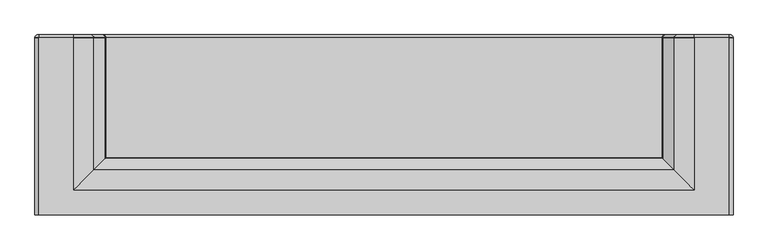
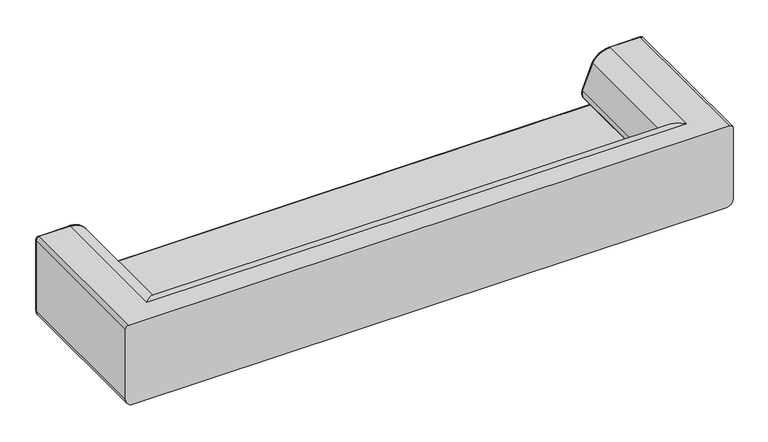
"""IFC4 building model written with IfcOpenShell, lengths in millimetres: furniture geometry."""

from ifc_helpers import new_model, si_unit, point, frame, origin, place, context, project, spatial, polyline, circle_curve, ellipse_curve, trimmed, source, transform, mapped, element, save
from ifc_brep_helpers import plane_surface, cylinder_surface, revolved_surface, advanced_brep


def furniture_cc4bc4c6(model_context):
    return source(origin(), model_context, "Body", "AdvancedBrep", [
        advanced_brep(
        [(1623.4930122, -424.7694481, 623.0000241), (1623.4930122, -424.7694481, 222.8204468), (1623.4930122, 398.4454435, 222.8204468), (1623.4930122, 401.1, 222.8204468), (1623.4930122, 401.1, 623.0000241), (1623.4930122, 398.4454435, 623.0000241), (1441.7928262, -308.0692618, 640.0000241), (1441.7928262, 398.4454435, 640.0000241), (1350.1347059, 398.4454435, 584.0963643), (1350.1347059, -216.4111416, 584.0963643), (1296.0931425, 398.4454435, 446.868702), (1296.0931425, -162.3695782, 446.868702), (1296.0931425, 398.4454435, 413.9178058), (1296.0931425, -162.3695782, 413.9178058), (1313.2221554, 398.4454435, 394.2161731), (1313.2221554, -179.4985911, 394.2161731), (-1350.3416938, -216.4111416, 584.0963643), (-1441.999814, -308.0692618, 640.0000241), (-1296.3001304, -162.3695782, 446.868702), (-1296.3001304, -162.3695782, 413.9178058), (-1313.4291432, -179.4985911, 394.2161731), (1372.8945171, -239.1709528, 381.6735871), (1372.8945171, 398.4454435, 381.6735871), (1372.8945171, 398.4454435, 351.6735871), (1372.8945171, -239.1709528, 351.6735871), (-1373.101505, -239.1709528, 351.6735871), (-1373.101505, -239.1709528, 381.6735871), (1585.6725653, -424.7694481, 185.0), (1585.6725653, 398.4454435, 185.0), (1606.4930122, 398.4454435, 640.0000241), (1606.4930122, -424.7694481, 640.0000241), (-1623.7, 398.4454435, 222.8204468), (-1585.8795532, 398.4454435, 185.0), (-1585.8795532, -424.7694481, 185.0), (-1623.7, -424.7694481, 222.8204468), (-1585.8795532, 401.1, 185.0), (1585.6725653, 401.1, 185.0), (1372.8945171, 401.1, 351.6735871), (-1373.101505, 401.1, 351.6735871), (-1373.101505, 398.4454435, 351.6735871), (-1373.101505, 398.4454435, 381.6735871), (-1313.4334259, 398.4454435, 394.2142899), (-1296.3001304, 398.4454435, 413.9178058), (-1296.3001304, 398.4454435, 446.868702), (-1350.3416938, 398.4454435, 584.0963643), (-1441.999814, 398.4454435, 640.0000241), (-1441.999814, 401.1, 640.0000241), (-1606.7, 401.1, 640.0000241), (-1606.7, 398.4454435, 640.0000241), (-1606.7, -424.7694481, 640.0000241), (1606.4930122, 401.1, 640.0000241), (1441.7928262, 401.1, 640.0000241), (-1623.7, 398.4454435, 623.0000241), (-1623.7, -424.7694481, 623.0000241), (-1623.7, 401.1, 623.0000241), (-1623.7, 401.1, 270.0000241), (-1623.7, 401.1, 222.8204468), (-1308.1383724, 413.4, 443.5301356), (-1308.1383724, 413.4, 417.2563721), (-1318.383623, 413.4, 405.4741988), (-1373.101505, 413.4, 393.9735871), (-1373.101505, 413.4, 339.3735871), (1372.8945171, 413.4, 339.3735871), (1372.8945171, 413.4, 393.9735871), (1318.1740744, 413.4, 405.4753251), (1307.9313846, 413.4, 417.2563721), (1307.9313846, 413.4, 443.5301356), (1361.0705289, 413.4, 578.4662864), (1441.7928262, 413.4, 627.7000241), (1606.4930122, 413.4, 627.7000241), (1611.1930122, 413.4, 623.0000241), (1611.1930122, 413.4, 222.8204468), (1585.6725653, 413.4, 197.3), (-1585.8795532, 413.4, 197.3), (-1611.4, 413.4, 222.8204468), (-1611.4, 413.4, 270.0000241), (-1611.4, 413.4, 623.0000241), (-1606.7, 413.4, 627.7000241), (-1441.999814, 413.4, 627.7000241), (-1361.2775167, 413.4, 578.4662864), (1350.1347059, 401.1, 584.0963643), (1296.0931425, 401.1, 446.868702), (1296.0931425, 401.1, 413.9178058), (1313.2221554, 401.1, 394.2161731), (1372.8945171, 401.1, 381.6735871), (-1373.101505, 401.1, 381.6735871), (-1313.4334258, 401.1, 394.2142899), (-1296.3001304, 401.1, 413.9178058), (-1296.3001304, 401.1, 446.868702), (-1350.3416938, 401.1, 584.0963643)],
        [
            (0, 1),
            (1, 2),
            (2, 3),
            (3, 4),
            (4, 5),
            (5, 0),
            (6, 7),
            (7, 8, circle_curve(frame((1441.7928262, 398.4454435, 536.9081136), z_axis=(0.0, -1.0, 0.0), x_axis=(-1.0, 0.0, 0.0)), 103.0919105)),
            (8, 9),
            (9, 6, ellipse_curve(frame((1441.7928262, -308.0692618, 536.9081136), z_axis=(0.7071067811865475, 0.7071067811865475, 0.0), x_axis=(0.7071067811865474, -0.7071067811865476, 0.0)), 145.793978, 103.0919105)),
            (8, 10, circle_curve(frame((2005.0288175, 398.4454435, 246.9379386), z_axis=(0.0, -1.0, 0.0), x_axis=(-1.0, 0.0, 0.0)), 736.5881491)),
            (10, 11),
            (11, 9, ellipse_curve(frame((2005.0288175, -871.3052531, 246.9379386), z_axis=(0.7071067811865475, 0.7071067811865475, 0.0), x_axis=(0.7071067811865474, -0.7071067811865476, 0.0)), 1041.6929503, 736.5881491)),
            (10, 12, circle_curve(frame((1354.5135312, 398.4454435, 430.3932539), z_axis=(0.0, -1.0, 0.0), x_axis=(-1.0, 0.0, 0.0)), 60.699112)),
            (12, 13),
            (13, 11, ellipse_curve(frame((1354.5135312, -220.7899669, 430.3932539), z_axis=(0.7071067811865475, 0.7071067811865475, 0.0), x_axis=(0.7071067811865474, -0.7071067811865476, 0.0)), 85.8415074, 60.699112)),
            (12, 14, circle_curve(frame((1325.5395386, 398.4454435, 422.2221424), z_axis=(0.0, -1.0, 0.0), x_axis=(-1.0, 0.0, 0.0)), 30.594971)),
            (14, 15),
            (15, 13, ellipse_curve(frame((1325.5395386, -191.8159743, 422.2221424), z_axis=(0.7071067811865475, 0.7071067811865475, 0.0), x_axis=(0.7071067811865474, -0.7071067811865476, 0.0)), 43.2678229, 30.594971)),
            (9, 16),
            (16, 17, ellipse_curve(frame((-1441.999814, -308.0692618, 536.9081136), z_axis=(0.7071067811865475, -0.7071067811865475, 0.0), x_axis=(-0.7071067811865476, -0.7071067811865474, 0.0)), 145.793978, 103.0919105)),
            (17, 6),
            (11, 18),
            (18, 16, ellipse_curve(frame((-2005.2358053, -871.3052531, 246.9379386), z_axis=(0.7071067811865475, -0.7071067811865475, 0.0), x_axis=(-0.7071067811865476, -0.7071067811865474, 0.0)), 1041.6929503, 736.5881491)),
            (13, 19),
            (19, 18, ellipse_curve(frame((-1354.720519, -220.7899669, 430.3932539), z_axis=(0.7071067811865475, -0.7071067811865475, 0.0), x_axis=(-0.7071067811865476, -0.7071067811865474, 0.0)), 85.8415074, 60.699112)),
            (15, 20),
            (20, 19, ellipse_curve(frame((-1325.7465264, -191.8159743, 422.2221424), z_axis=(0.7071067811865475, -0.7071067811865475, 0.0), x_axis=(-0.7071067811865476, -0.7071067811865474, 0.0)), 43.2678229, 30.594971)),
            (21, 22),
            (22, 23, circle_curve(frame((1372.8945171, 398.4454435, 366.6735871), z_axis=(0.0, 1.0, 0.0), x_axis=(-1.0, 0.0, 0.0)), 15.0)),
            (23, 24),
            (24, 21, ellipse_curve(frame((1372.8945171, -239.1709528, 366.6735871), z_axis=(-0.7071067811865475, -0.7071067811865475, 0.0), x_axis=(-0.7071067811865474, 0.7071067811865476, 0.0)), 21.2132034, 15.0)),
            (24, 25),
            (25, 26, ellipse_curve(frame((-1373.101505, -239.1709528, 366.6735871), z_axis=(-0.7071067811865475, 0.7071067811865475, 0.0), x_axis=(0.7071067811865476, 0.7071067811865474, 0.0)), 21.2132034, 15.0)),
            (26, 21),
            (14, 22, circle_curve(frame((1372.8945171, 398.4454435, 529.8929075), z_axis=(0.0, -1.0, 0.0), x_axis=(-1.0, 0.0, 0.0)), 148.2193204)),
            (21, 15, ellipse_curve(frame((1372.8945171, -239.1709528, 529.8929075), z_axis=(0.7071067811865475, 0.7071067811865475, 0.0), x_axis=(0.7071067811865474, -0.7071067811865476, 0.0)), 209.6137731, 148.2193204)),
            (26, 20, ellipse_curve(frame((-1373.101505, -239.1709528, 529.8929075), z_axis=(0.7071067811865475, -0.7071067811865475, 0.0), x_axis=(-0.7071067811865476, -0.7071067811865474, 0.0)), 209.6137731, 148.2193204)),
            (1, 27, circle_curve(frame((1585.6725653, -424.7694481, 222.8204468), z_axis=(0.0, 1.0, 0.0), x_axis=(-1.0, 0.0, 0.0)), 37.8204468)),
            (27, 28),
            (28, 2, circle_curve(frame((1585.6725653, 398.4454435, 222.8204468), z_axis=(0.0, -1.0, 0.0), x_axis=(-1.0, 0.0, 0.0)), 37.8204468)),
            (5, 29, circle_curve(frame((1606.4930122, 398.4454435, 623.0000241), z_axis=(0.0, -1.0, 0.0), x_axis=(-1.0, 0.0, 0.0)), 17.0)),
            (29, 30),
            (30, 0, circle_curve(frame((1606.4930122, -424.7694481, 623.0000241), z_axis=(0.0, 1.0, 0.0), x_axis=(-1.0, 0.0, 0.0)), 17.0)),
            (31, 32, circle_curve(frame((-1585.8795532, 398.4454435, 222.8204468), z_axis=(0.0, -1.0, 0.0), x_axis=(1.0, 0.0, 0.0)), 37.8204468)),
            (32, 33),
            (33, 34, circle_curve(frame((-1585.8795532, -424.7694481, 222.8204468), z_axis=(0.0, 1.0, 0.0), x_axis=(1.0, 0.0, 0.0)), 37.8204468)),
            (34, 31),
            (32, 35),
            (35, 36),
            (36, 28),
            (27, 33),
            (23, 37),
            (37, 38),
            (38, 39),
            (39, 25),
            (39, 40, circle_curve(frame((-1373.101505, 398.4454435, 366.6735871), z_axis=(0.0, 1.0, 0.0), x_axis=(1.0, 0.0, 0.0)), 15.0)),
            (40, 26),
            (40, 41, circle_curve(frame((-1373.101505, 398.4454435, 529.8929075), z_axis=(0.0, -1.0, 0.0), x_axis=(1.0, 0.0, 0.0)), 148.2193204)),
            (41, 20),
            (41, 42, circle_curve(frame((-1325.7465264, 398.4454435, 422.2221424), z_axis=(0.0, -1.0, 0.0), x_axis=(1.0, 0.0, 0.0)), 30.594971)),
            (42, 19),
            (42, 43, circle_curve(frame((-1354.720519, 398.4454435, 430.3932539), z_axis=(0.0, -1.0, 0.0), x_axis=(1.0, 0.0, 0.0)), 60.699112)),
            (43, 18),
            (43, 44, circle_curve(frame((-2005.2358053, 398.4454435, 246.9379386), z_axis=(0.0, -1.0, 0.0), x_axis=(1.0, 0.0, 0.0)), 736.5881491)),
            (44, 16),
            (44, 45, circle_curve(frame((-1441.999814, 398.4454435, 536.9081136), z_axis=(0.0, -1.0, 0.0), x_axis=(1.0, 0.0, 0.0)), 103.0919105)),
            (45, 17),
            (45, 46),
            (46, 47),
            (47, 48),
            (48, 49),
            (49, 30),
            (29, 50),
            (50, 51),
            (51, 7),
            (48, 52, circle_curve(frame((-1606.7, 398.4454435, 623.0000241), z_axis=(0.0, -1.0, 0.0), x_axis=(1.0, 0.0, 0.0)), 17.0)),
            (52, 53),
            (53, 49, circle_curve(frame((-1606.7, -424.7694481, 623.0000241), z_axis=(0.0, 1.0, 0.0), x_axis=(1.0, 0.0, 0.0)), 17.0)),
            (34, 53),
            (52, 54),
            (54, 55),
            (55, 56),
            (56, 31),
            (57, 58, circle_curve(frame((-1354.720519, 413.4, 430.3932539), z_axis=(0.0, 1.0, 0.0), x_axis=(0.9624587034664215, 0.0, -0.27142815646453283)), 48.399112)),
            (58, 59, circle_curve(frame((-1325.7465264, 413.4, 422.2221424), z_axis=(0.0, 1.0, 0.0), x_axis=(0.40245505114421876, 0.0, -0.9154397477761735)), 18.294971)),
            (59, 60, circle_curve(frame((-1373.101505, 413.4, 529.8929075), z_axis=(0.0, 1.0, 0.0), x_axis=(2.307809158910861e-12, 0.0, -1.0)), 135.9193204)),
            (60, 61, circle_curve(frame((-1373.101505, 413.4, 366.6735871), z_axis=(0.0, -1.0, 0.0), x_axis=(0.0, 0.0, -1.0)), 27.3)),
            (61, 62),
            (62, 63, circle_curve(frame((1372.8945171, 413.4, 366.6735871), z_axis=(0.0, -1.0, 0.0), x_axis=(0.0, 0.0, 1.0)), 27.3)),
            (63, 64, circle_curve(frame((1372.8945171, 413.4, 529.8929075), z_axis=(0.0, 1.0, 0.0), x_axis=(-0.4025950294069445, 0.0, -0.9153781963193254)), 135.9193204)),
            (64, 65, circle_curve(frame((1325.5395386, 413.4, 422.2221424), z_axis=(0.0, 1.0, 0.0), x_axis=(-0.962458703466426, 0.0, -0.2714281564645167)), 18.294971)),
            (65, 66, circle_curve(frame((1354.5135312, 413.4, 430.3932539), z_axis=(0.0, 1.0, 0.0), x_axis=(-0.9624587034663409, 0.0, 0.27142815646481855)), 48.399112)),
            (66, 67, circle_curve(frame((2005.0288175, 413.4, 246.9379386), z_axis=(0.0, 1.0, 0.0), x_axis=(-0.8890912952620775, 0.0, 0.457729908012576)), 724.2881491)),
            (67, 68, circle_curve(frame((1441.7928262, 413.4, 536.9081136), z_axis=(0.0, 1.0, 0.0), x_axis=(0.0, 0.0, 1.0)), 90.7919105)),
            (68, 69),
            (69, 70, circle_curve(frame((1606.4930122, 413.4, 623.0000241), z_axis=(0.0, 1.0, 0.0), x_axis=(1.0, 0.0, 0.0)), 4.7)),
            (70, 71),
            (71, 72, circle_curve(frame((1585.6725653, 413.4, 222.8204468), z_axis=(0.0, 1.0, 0.0), x_axis=(0.0, 0.0, -1.0)), 25.5204468)),
            (72, 73),
            (73, 74, circle_curve(frame((-1585.8795532, 413.4, 222.8204468), z_axis=(0.0, 1.0, 0.0), x_axis=(-1.0, 0.0, 0.0)), 25.5204468)),
            (74, 75),
            (75, 76),
            (76, 77, circle_curve(frame((-1606.7, 413.4, 623.0000241), z_axis=(0.0, 1.0, 0.0), x_axis=(0.0, 0.0, 1.0)), 4.7)),
            (77, 78),
            (78, 79, circle_curve(frame((-1441.999814, 413.4, 536.9081136), z_axis=(0.0, 1.0, 0.0), x_axis=(0.8890912952620598, 0.0, 0.45772990801261054)), 90.7919105)),
            (79, 57, circle_curve(frame((-2005.2358053, 413.4, 246.9379386), z_axis=(0.0, 1.0, 0.0), x_axis=(0.9624587034663644, 0.0, 0.2714281564647354)), 724.2881491)),
            (47, 54, circle_curve(frame((-1606.7, 401.1, 623.0000241), z_axis=(0.0, -1.0, 0.0), x_axis=(0.0, 0.0, 1.0)), 17.0)),
            (76, 54, circle_curve(frame((-1611.4, 401.1, 623.0000241), z_axis=(0.0, 0.0, 1.0), x_axis=(1.0, 0.0, 0.0)), 12.3)),
            (47, 77, circle_curve(frame((-1606.7, 401.1, 627.7000241), z_axis=(-1.0, 0.0, 0.0), x_axis=(0.0, 0.0, -1.0)), 12.3)),
            (75, 55, circle_curve(frame((-1611.4, 401.1, 270.0000241), z_axis=(0.0, 0.0, 1.0), x_axis=(1.0, 0.0, 0.0)), 12.3)),
            (74, 56, circle_curve(frame((-1611.4, 401.1, 222.8204468), z_axis=(0.0, 0.0, 1.0), x_axis=(1.0, 0.0, 0.0)), 12.3)),
            (56, 35, circle_curve(frame((-1585.8795532, 401.1, 222.8204468), z_axis=(0.0, -1.0, 0.0), x_axis=(-1.0, 0.0, 0.0)), 37.8204468)),
            (73, 35, circle_curve(frame((-1585.8795532, 401.1, 197.3), z_axis=(-1.0, 0.0, 0.0), x_axis=(0.0, 0.0, 1.0)), 12.3)),
            (72, 36, circle_curve(frame((1585.6725653, 401.1, 197.3), z_axis=(-1.0, 0.0, 0.0), x_axis=(0.0, 0.0, 1.0)), 12.3)),
            (36, 3, circle_curve(frame((1585.6725653, 401.1, 222.8204468), z_axis=(0.0, -1.0, 0.0), x_axis=(0.0, 0.0, -1.0)), 37.8204468)),
            (71, 3, circle_curve(frame((1611.1930122, 401.1, 222.8204468), z_axis=(0.0, 0.0, -1.0), x_axis=(-1.0, 0.0, 0.0)), 12.3)),
            (70, 4, circle_curve(frame((1611.1930122, 401.1, 623.0000241), z_axis=(0.0, 0.0, -1.0), x_axis=(-1.0, 0.0, 0.0)), 12.3)),
            (4, 50, circle_curve(frame((1606.4930122, 401.1, 623.0000241), z_axis=(0.0, -1.0, 0.0), x_axis=(1.0, 0.0, 0.0)), 17.0)),
            (69, 50, circle_curve(frame((1606.4930122, 401.1, 627.7000241), z_axis=(1.0, 0.0, 0.0), x_axis=(0.0, 0.0, -1.0)), 12.3)),
            (68, 51, circle_curve(frame((1441.7928262, 401.1, 627.7000241), z_axis=(1.0, 0.0, 0.0), x_axis=(0.0, 0.0, -1.0)), 12.3)),
            (51, 80, circle_curve(frame((1441.7928262, 401.1, 536.9081136), z_axis=(0.0, -1.0, 0.0), x_axis=(0.0, 0.0, 1.0)), 103.0919105)),
            (80, 8),
            (67, 80, circle_curve(frame((1361.0705289, 401.1, 578.4662864), z_axis=(0.45772990801261976, 0.0, 0.8890912952620551), x_axis=(0.8890912952620551, 0.0, -0.45772990801261976)), 12.3)),
            (80, 81, circle_curve(frame((2005.0288175, 401.1, 246.9379386), z_axis=(0.0, -1.0, 0.0), x_axis=(-0.8890912952620775, 0.0, 0.457729908012576)), 736.5881491)),
            (81, 10),
            (66, 81, circle_curve(frame((1307.9313846, 401.1, 443.5301356), z_axis=(0.2714281564647413, 0.0, 0.9624587034663626), x_axis=(0.9624587034663626, 0.0, -0.2714281564647413)), 12.3)),
            (81, 82, circle_curve(frame((1354.5135312, 401.1, 430.3932539), z_axis=(0.0, -1.0, 0.0), x_axis=(-0.9624587034663409, 0.0, 0.27142815646481855)), 60.699112)),
            (82, 12),
            (65, 82, circle_curve(frame((1307.9313846, 401.1, 417.2563721), z_axis=(-0.2714281564645227, 0.0, 0.9624587034664244), x_axis=(0.9624587034664244, 0.0, 0.2714281564645227)), 12.3)),
            (82, 83, circle_curve(frame((1325.5395386, 401.1, 422.2221424), z_axis=(0.0, -1.0, 0.0), x_axis=(-0.962458703466426, 0.0, -0.2714281564645167)), 30.594971)),
            (83, 14),
            (64, 83, circle_curve(frame((1318.1740742, 401.1, 405.4753249), z_axis=(-0.9153781963193278, 0.0, 0.402595029406939), x_axis=(0.402595029406939, 0.0, 0.9153781963193278)), 12.3)),
            (83, 84, circle_curve(frame((1372.8945171, 401.1, 529.8929075), z_axis=(0.0, -1.0, 0.0), x_axis=(-0.4025950294069445, 0.0, -0.9153781963193254)), 148.2193204)),
            (84, 22),
            (63, 84, circle_curve(frame((1372.8945171, 401.1, 393.9735871), z_axis=(-1.0, 0.0, 0.0), x_axis=(0.0, 0.0, 1.0)), 12.3)),
            (84, 37, circle_curve(frame((1372.8945171, 401.1, 366.6735871), z_axis=(0.0, 1.0, 0.0), x_axis=(0.0, 0.0, 1.0)), 15.0)),
            (62, 37, circle_curve(frame((1372.8945171, 401.1, 339.3735871), z_axis=(1.0, 0.0, 0.0), x_axis=(0.0, 0.0, -1.0)), 12.3)),
            (61, 38, circle_curve(frame((-1373.101505, 401.1, 339.3735871), z_axis=(1.0, 0.0, 0.0), x_axis=(0.0, 0.0, -1.0)), 12.3)),
            (38, 85, circle_curve(frame((-1373.101505, 401.1, 366.6735871), z_axis=(0.0, 1.0, 0.0), x_axis=(0.0, 0.0, -1.0)), 15.0)),
            (85, 40),
            (60, 85, circle_curve(frame((-1373.101505, 401.1, 393.9735871), z_axis=(-1.0, 0.0, -2.3413607790094447e-12), x_axis=(-2.3413607790094447e-12, 0.0, 1.0)), 12.3)),
            (85, 86, circle_curve(frame((-1373.101505, 401.1, 529.8929075), z_axis=(0.0, -1.0, 0.0), x_axis=(2.307809158910861e-12, 0.0, -1.0)), 148.2193204)),
            (86, 41),
            (59, 86, circle_curve(frame((-1318.383623, 401.1, 405.4741988), z_axis=(-0.9154397477761738, 0.0, -0.40245505114421837), x_axis=(-0.40245505114421837, 0.0, 0.9154397477761738)), 12.3)),
            (86, 87, circle_curve(frame((-1325.7465264, 401.1, 422.2221424), z_axis=(0.0, -1.0, 0.0), x_axis=(0.40245505114421876, 0.0, -0.9154397477761735)), 30.594971)),
            (87, 42),
            (58, 87, circle_curve(frame((-1308.1383724, 401.1, 417.2563721), z_axis=(-0.271428156464534, 0.0, -0.962458703466421), x_axis=(-0.962458703466421, 0.0, 0.271428156464534)), 12.3)),
            (87, 88, circle_curve(frame((-1354.720519, 401.1, 430.3932539), z_axis=(0.0, -1.0, 0.0), x_axis=(0.9624587034664215, 0.0, -0.27142815646453283)), 60.699112)),
            (88, 43),
            (57, 88, circle_curve(frame((-1308.1383724, 401.1, 443.5301356), z_axis=(0.2714281564647334, 0.0, -0.9624587034663649), x_axis=(-0.9624587034663649, 0.0, -0.2714281564647334)), 12.3)),
            (88, 89, circle_curve(frame((-2005.2358053, 401.1, 246.9379386), z_axis=(0.0, -1.0, 0.0), x_axis=(0.9624587034663644, 0.0, 0.2714281564647354)), 736.5881491)),
            (89, 44),
            (79, 89, circle_curve(frame((-1361.2775167, 401.1, 578.4662864), z_axis=(0.4577299080125743, 0.0, -0.8890912952620784), x_axis=(-0.8890912952620784, 0.0, -0.4577299080125743)), 12.3)),
            (89, 46, circle_curve(frame((-1441.999814, 401.1, 536.9081136), z_axis=(0.0, -1.0, 0.0), x_axis=(0.8890912952620598, 0.0, 0.45772990801261054)), 103.0919105)),
            (78, 46, circle_curve(frame((-1441.999814, 401.1, 627.7000241), z_axis=(1.0, 0.0, 0.0), x_axis=(0.0, 0.0, -1.0)), 12.3)),
        ],
        [
            plane_surface(frame((1623.4930122, -489.7694478, 623.0000241), z_axis=(1.0, 0.0, 0.0), x_axis=(0.0, 1.0, 0.0))),
            cylinder_surface(frame((1441.7928262, -159.7694478, 536.9081136), z_axis=(0.0, -1.0, 0.0), x_axis=(-1.0, 0.0, 0.0)), 103.0919105),
            cylinder_surface(frame((2005.0288175, -159.7694478, 246.9379386), z_axis=(0.0, -1.0, 0.0), x_axis=(-1.0, 0.0, 0.0)), 736.5881491),
            cylinder_surface(frame((1354.5135312, -159.7694478, 430.3932539), z_axis=(0.0, -1.0, 0.0), x_axis=(-1.0, 0.0, 0.0)), 60.699112),
            cylinder_surface(frame((1325.5395386, -159.7694478, 422.2221424), z_axis=(0.0, -1.0, 0.0), x_axis=(-1.0, 0.0, 0.0)), 30.594971),
            cylinder_surface(frame((-1293.7, -308.0692618, 536.9081136), z_axis=(-1.0, 0.0, 0.0), x_axis=(0.0, 1.0, 0.0)), 103.0919105),
            cylinder_surface(frame((-1293.7, -871.3052531, 246.9379386), z_axis=(-1.0, 0.0, 0.0), x_axis=(0.0, 1.0, 0.0)), 736.5881491),
            cylinder_surface(frame((-1293.7, -220.7899669, 430.3932539), z_axis=(-1.0, 0.0, 0.0), x_axis=(0.0, 1.0, 0.0)), 60.699112),
            cylinder_surface(frame((-1293.7, -191.8159743, 422.2221424), z_axis=(-1.0, 0.0, 0.0), x_axis=(0.0, 1.0, 0.0)), 30.594971),
            revolved_surface(polyline([(1357.8945171, 398.4454435, 366.6735871), (1357.8945171, -254.17095277482954, 366.6735871)]), (1372.8945171, -159.7694478, 366.6735871), (0.0, 1.0, 0.0)),
            revolved_surface(polyline([(1387.89451707483, -224.1709528, 366.6735871), (-1388.1015049748296, -224.1709528, 366.6735871)]), (-1293.7, -239.1709528, 366.6735871), (1.0, 0.0, 0.0)),
            cylinder_surface(frame((1372.8945171, -159.7694478, 529.8929075), z_axis=(0.0, -1.0, 0.0), x_axis=(-1.0, 0.0, 0.0)), 148.2193204),
            cylinder_surface(frame((-1293.7, -239.1709528, 529.8929075), z_axis=(-1.0, 0.0, 0.0), x_axis=(0.0, 1.0, 0.0)), 148.2193204),
            cylinder_surface(frame((1585.6725653, -159.7694478, 222.8204468), z_axis=(0.0, -1.0, 0.0), x_axis=(-1.0, 0.0, 0.0)), 37.8204468),
            cylinder_surface(frame((1606.4930122, -159.7694478, 623.0000241), z_axis=(0.0, -1.0, 0.0), x_axis=(-1.0, 0.0, 0.0)), 17.0),
            cylinder_surface(frame((-1585.8795532, 398.4454435, 222.8204468), z_axis=(0.0, 1.0, 0.0), x_axis=(1.0, 0.0, 0.0)), 37.8204468),
            plane_surface(frame((-1585.8795532, 398.4454435, 185.0), z_axis=(0.0, 0.0, -1.0), x_axis=(0.0, -1.0, 0.0))),
            plane_surface(frame((-1354.877561, 398.4454435, 351.6735871), z_axis=(0.0, 0.0, 1.0), x_axis=(0.0, -1.0, 0.0))),
            revolved_surface(polyline([(-1358.101505, -254.17095277482952, 366.6735871), (-1358.101505, 398.4454435, 366.6735871)]), (-1373.101505, 398.4454435, 366.6735871), (0.0, -1.0, 0.0)),
            cylinder_surface(frame((-1373.101505, 398.4454435, 529.8929075), z_axis=(0.0, 1.0, 0.0), x_axis=(1.0, 0.0, 0.0)), 148.2193204),
            cylinder_surface(frame((-1325.7465264, 398.4454435, 422.2221424), z_axis=(0.0, 1.0, 0.0), x_axis=(1.0, 0.0, 0.0)), 30.594971),
            cylinder_surface(frame((-1354.720519, 398.4454435, 430.3932539), z_axis=(0.0, 1.0, 0.0), x_axis=(1.0, 0.0, 0.0)), 60.699112),
            cylinder_surface(frame((-2005.2358053, 398.4454435, 246.9379386), z_axis=(0.0, 1.0, 0.0), x_axis=(1.0, 0.0, 0.0)), 736.5881491),
            cylinder_surface(frame((-1441.999814, 398.4454435, 536.9081136), z_axis=(0.0, 1.0, 0.0), x_axis=(1.0, 0.0, 0.0)), 103.0919105),
            plane_surface(frame((-1441.999814, 398.4454435, 640.0000241), z_axis=(0.0, 0.0, 1.0), x_axis=(0.0, -1.0, 0.0))),
            cylinder_surface(frame((-1606.7, 398.4454435, 623.0000241), z_axis=(0.0, 1.0, 0.0), x_axis=(1.0, 0.0, 0.0)), 17.0),
            plane_surface(frame((-1623.7, 398.4454435, 623.0000241), z_axis=(-1.0, 0.0, 0.0), x_axis=(0.0, -1.0, 0.0))),
            plane_surface(frame((-1623.7, -424.7694481, 640.0000241), z_axis=(0.0, -1.0, 0.0), x_axis=(0.0, 0.0, -1.0))),
            plane_surface(frame((-1441.999814, 413.4, 627.7000241), z_axis=(0.0, 1.0, 0.0), x_axis=(-1.0, 0.0, 0.0))),
            cylinder_surface(frame((-1606.7, 398.4454435, 623.0000241), z_axis=(0.0, 1.0, 0.0), x_axis=(0.0, 0.0, 1.0)), 17.0),
            revolved_surface(trimmed(ellipse_curve(frame((-1606.7, 401.1, 627.7000241), z_axis=(-1.0, 0.0, 0.0), x_axis=(0.0, 0.0, -1.0)), 12.3, 12.3), [point((-1606.7, 401.1, 640.0000241))], [point((-1606.7, 413.4, 627.7000241))], True, "CARTESIAN"), (-1606.7, 398.4454435, 623.0000241), (0.0, 1.0, 0.0)),
            cylinder_surface(frame((-1611.4, 401.1, 623.0000241), z_axis=(0.0, 0.0, 1.0), x_axis=(1.0, 0.0, 0.0)), 12.3),
            cylinder_surface(frame((-1611.4, 401.1, 270.0000241), z_axis=(0.0, 0.0, 1.0), x_axis=(1.0, 0.0, 0.0)), 12.3),
            cylinder_surface(frame((-1585.8795532, 398.4454435, 222.8204468), z_axis=(0.0, 1.0, 0.0), x_axis=(-1.0, 0.0, 0.0)), 37.8204468),
            revolved_surface(trimmed(ellipse_curve(frame((-1611.4, 401.1, 222.8204468), z_axis=(0.0, 0.0, -1.0), x_axis=(1.0, 0.0, 0.0)), 12.3, 12.3), [point((-1623.7, 401.1, 222.8204468))], [point((-1611.4, 413.4, 222.8204468))], True, "CARTESIAN"), (-1585.8795532, 398.4454435, 222.8204468), (0.0, 1.0, 0.0)),
            cylinder_surface(frame((-1585.8795532, 401.1, 197.3), z_axis=(-1.0, 0.0, 0.0), x_axis=(0.0, 0.0, 1.0)), 12.3),
            cylinder_surface(frame((1585.6725653, 398.4454435, 222.8204468), z_axis=(0.0, 1.0, 0.0), x_axis=(0.0, 0.0, -1.0)), 37.8204468),
            revolved_surface(trimmed(ellipse_curve(frame((1585.6725653, 401.1, 197.3), z_axis=(1.0, 0.0, 0.0), x_axis=(0.0, 0.0, 1.0)), 12.3, 12.3), [point((1585.6725653, 401.1, 185.0))], [point((1585.6725653, 413.4, 197.3))], True, "CARTESIAN"), (1585.6725653, 398.4454435, 222.8204468), (0.0, 1.0, 0.0)),
            cylinder_surface(frame((1611.1930122, 401.1, 222.8204468), z_axis=(0.0, 0.0, -1.0), x_axis=(-1.0, 0.0, 0.0)), 12.3),
            cylinder_surface(frame((1606.4930122, 398.4454435, 623.0000241), z_axis=(0.0, 1.0, 0.0), x_axis=(1.0, 0.0, 0.0)), 17.0),
            revolved_surface(trimmed(ellipse_curve(frame((1611.1930122, 401.1, 623.0000241), z_axis=(0.0, 0.0, 1.0), x_axis=(-1.0, 0.0, 0.0)), 12.3, 12.3), [point((1623.4930122, 401.1, 623.0000241))], [point((1611.1930122, 413.4, 623.0000241))], True, "CARTESIAN"), (1606.4930122, 398.4454435, 623.0000241), (0.0, 1.0, 0.0)),
            cylinder_surface(frame((1606.4930122, 401.1, 627.7000241), z_axis=(1.0, 0.0, 0.0), x_axis=(0.0, 0.0, -1.0)), 12.3),
            cylinder_surface(frame((1441.7928262, 398.4454435, 536.9081136), z_axis=(0.0, 1.0, 0.0), x_axis=(0.0, 0.0, 1.0)), 103.0919105),
            revolved_surface(trimmed(ellipse_curve(frame((1441.7928262, 401.1, 627.7000241), z_axis=(-1.0, 0.0, 0.0), x_axis=(0.0, 0.0, -1.0)), 12.3, 12.3), [point((1441.7928262, 401.1, 640.0000241))], [point((1441.7928262, 413.4, 627.7000241))], True, "CARTESIAN"), (1441.7928262, 398.4454435, 536.9081136), (0.0, 1.0, 0.0)),
            cylinder_surface(frame((2005.0288175, 398.4454435, 246.9379386), z_axis=(0.0, 1.0, 0.0), x_axis=(-0.8890912952620775, 0.0, 0.457729908012576)), 736.5881491),
            revolved_surface(trimmed(ellipse_curve(frame((1361.0705289, 401.1, 578.4662864), z_axis=(-0.45772990801257624, 0.0, -0.8890912952620774), x_axis=(0.8890912952620774, 0.0, -0.45772990801257624)), 12.3, 12.3), [point((1350.1347059, 401.1, 584.0963643))], [point((1361.0705289, 413.4, 578.4662864))], True, "CARTESIAN"), (2005.0288175, 398.4454435, 246.9379386), (0.0, 1.0, 0.0)),
            cylinder_surface(frame((1354.5135312, 398.4454435, 430.3932539), z_axis=(0.0, 1.0, 0.0), x_axis=(-0.9624587034663409, 0.0, 0.27142815646481855)), 60.699112),
            revolved_surface(trimmed(ellipse_curve(frame((1307.9313846, 401.1, 443.5301356), z_axis=(-0.2714281564648191, 0.0, -0.9624587034663408), x_axis=(0.9624587034663408, 0.0, -0.2714281564648191)), 12.3, 12.3), [point((1296.0931425, 401.1, 446.868702))], [point((1307.9313846, 413.4, 443.5301356))], True, "CARTESIAN"), (1354.5135312, 398.4454435, 430.3932539), (0.0, 1.0, 0.0)),
            cylinder_surface(frame((1325.5395386, 398.4454435, 422.2221424), z_axis=(0.0, 1.0, 0.0), x_axis=(-0.962458703466426, 0.0, -0.2714281564645167)), 30.594971),
            revolved_surface(trimmed(ellipse_curve(frame((1307.9313846, 401.1, 417.2563721), z_axis=(0.2714281564645162, 0.0, -0.9624587034664261), x_axis=(0.9624587034664261, 0.0, 0.2714281564645162)), 12.3, 12.3), [point((1296.0931425, 401.1, 413.9178058))], [point((1307.9313846, 413.4, 417.2563721))], True, "CARTESIAN"), (1325.5395386, 398.4454435, 422.2221424), (0.0, 1.0, 0.0)),
            cylinder_surface(frame((1372.8945171, 398.4454435, 529.8929075), z_axis=(0.0, 1.0, 0.0), x_axis=(-0.4025950294069445, 0.0, -0.9153781963193254)), 148.2193204),
            revolved_surface(trimmed(ellipse_curve(frame((1318.1740744, 401.1, 405.4753251), z_axis=(0.9153781963193252, 0.0, -0.402595029406945), x_axis=(0.402595029406945, 0.0, 0.9153781963193252)), 12.3, 12.3), [point((1313.2221555, 401.1, 394.2161733))], [point((1318.1740744, 413.4, 405.4753251))], True, "CARTESIAN"), (1372.8945171, 398.4454435, 529.8929075), (0.0, 1.0, 0.0)),
            revolved_surface(polyline([(1372.8945171, 398.4454435, 381.6735871), (1372.8945171, 401.1, 381.6735871)]), (1372.8945171, 398.4454435, 366.6735871), (0.0, -1.0, 0.0)),
            revolved_surface(trimmed(ellipse_curve(frame((1372.8945171, 401.1, 393.9735871), z_axis=(1.0, 0.0, 0.0), x_axis=(0.0, 0.0, 1.0)), 12.3, 12.3), [point((1372.8945171, 401.1, 381.6735871))], [point((1372.8945171, 413.4, 393.9735871))], True, "CARTESIAN"), (1372.8945171, 398.4454435, 366.6735871), (0.0, -1.0, 0.0)),
            cylinder_surface(frame((1372.8945171, 401.1, 339.3735871), z_axis=(1.0, 0.0, 0.0), x_axis=(0.0, 0.0, -1.0)), 12.3),
            revolved_surface(polyline([(-1373.101505, 398.4454435, 351.6735871), (-1373.101505, 401.1, 351.6735871)]), (-1373.101505, 398.4454435, 366.6735871), (0.0, -1.0, 0.0)),
            revolved_surface(trimmed(ellipse_curve(frame((-1373.101505, 401.1, 339.3735871), z_axis=(-1.0, 0.0, 0.0), x_axis=(0.0, 0.0, -1.0)), 12.3, 12.3), [point((-1373.101505, 401.1, 351.6735871))], [point((-1373.101505, 413.4, 339.3735871))], True, "CARTESIAN"), (-1373.101505, 398.4454435, 366.6735871), (0.0, -1.0, 0.0)),
            cylinder_surface(frame((-1373.101505, 398.4454435, 529.8929075), z_axis=(0.0, 1.0, 0.0), x_axis=(2.307809158910861e-12, 0.0, -1.0)), 148.2193204),
            revolved_surface(trimmed(ellipse_curve(frame((-1373.101505, 401.1, 393.9735871), z_axis=(1.0, 0.0, 2.307303837361053e-12), x_axis=(-2.307303837361053e-12, 0.0, 1.0)), 12.3, 12.3), [point((-1373.101505, 401.1, 381.6735871))], [point((-1373.101505, 413.4, 393.9735871))], True, "CARTESIAN"), (-1373.101505, 398.4454435, 529.8929075), (0.0, 1.0, 0.0)),
            cylinder_surface(frame((-1325.7465264, 398.4454435, 422.2221424), z_axis=(0.0, 1.0, 0.0), x_axis=(0.40245505114421876, 0.0, -0.9154397477761735)), 30.594971),
            revolved_surface(trimmed(ellipse_curve(frame((-1318.383623, 401.1, 405.4741988), z_axis=(0.9154397477761738, 0.0, 0.40245505114421837), x_axis=(-0.40245505114421837, 0.0, 0.9154397477761738)), 12.3, 12.3), [point((-1313.4334258, 401.1, 394.2142899))], [point((-1318.383623, 413.4, 405.4741988))], True, "CARTESIAN"), (-1325.7465264, 398.4454435, 422.2221424), (0.0, 1.0, 0.0)),
            cylinder_surface(frame((-1354.720519, 398.4454435, 430.3932539), z_axis=(0.0, 1.0, 0.0), x_axis=(0.9624587034664215, 0.0, -0.27142815646453283)), 60.699112),
            revolved_surface(trimmed(ellipse_curve(frame((-1308.1383724, 401.1, 417.2563721), z_axis=(0.27142815646453344, 0.0, 0.9624587034664214), x_axis=(-0.9624587034664214, 0.0, 0.27142815646453344)), 12.3, 12.3), [point((-1296.3001304, 401.1, 413.9178058))], [point((-1308.1383724, 413.4, 417.2563721))], True, "CARTESIAN"), (-1354.720519, 398.4454435, 430.3932539), (0.0, 1.0, 0.0)),
            cylinder_surface(frame((-2005.2358053, 398.4454435, 246.9379386), z_axis=(0.0, 1.0, 0.0), x_axis=(0.9624587034663644, 0.0, 0.2714281564647354)), 736.5881491),
            revolved_surface(trimmed(ellipse_curve(frame((-1308.1383724, 401.1, 443.5301356), z_axis=(-0.27142815646473484, 0.0, 0.9624587034663645), x_axis=(-0.9624587034663645, 0.0, -0.27142815646473484)), 12.3, 12.3), [point((-1296.3001304, 401.1, 446.868702))], [point((-1308.1383724, 413.4, 443.5301356))], True, "CARTESIAN"), (-2005.2358053, 398.4454435, 246.9379386), (0.0, 1.0, 0.0)),
            cylinder_surface(frame((-1441.999814, 398.4454435, 536.9081136), z_axis=(0.0, 1.0, 0.0), x_axis=(0.8890912952620598, 0.0, 0.45772990801261054)), 103.0919105),
            revolved_surface(trimmed(ellipse_curve(frame((-1361.2775167, 401.1, 578.4662864), z_axis=(-0.45772990801260993, 0.0, 0.8890912952620601), x_axis=(-0.8890912952620601, 0.0, -0.45772990801260993)), 12.3, 12.3), [point((-1350.3416938, 401.1, 584.0963643))], [point((-1361.2775167, 413.4, 578.4662864))], True, "CARTESIAN"), (-1441.999814, 398.4454435, 536.9081136), (0.0, 1.0, 0.0)),
            cylinder_surface(frame((-1441.999814, 401.1, 627.7000241), z_axis=(1.0, 0.0, 0.0), x_axis=(0.0, 0.0, -1.0)), 12.3),
        ],
        [
            (0, [[1, 2, 3, 4, 5, 6]]),
            (1, [[7, 8, 9, 10]]),
            (2, [[11, 12, 13, -9]]),
            (3, [[14, 15, 16, -12]]),
            (4, [[17, 18, 19, -15]]),
            (5, [[20, 21, 22, -10]]),
            (6, [[23, 24, -20, -13]]),
            (7, [[25, 26, -23, -16]]),
            (8, [[27, 28, -25, -19]]),
            (9, [[29, 30, 31, 32]]),
            (10, [[33, 34, 35, -32]]),
            (11, [[36, -29, 37, -18]]),
            (12, [[-37, -35, 38, -27]]),
            (13, [[39, 40, 41, -2]]),
            (14, [[42, 43, 44, -6]]),
            (15, [[45, 46, 47, 48]]),
            (16, [[49, 50, 51, -40, 52, -46]]),
            (17, [[53, 54, 55, 56, -33, -31]]),
            (18, [[-56, 57, 58, -34]]),
            (19, [[-58, 59, 60, -38]]),
            (20, [[-60, 61, 62, -28]]),
            (21, [[-62, 63, 64, -26]]),
            (22, [[-64, 65, 66, -24]]),
            (23, [[-66, 67, 68, -21]]),
            (24, [[-22, -68, 69, 70, 71, 72, 73, -43, 74, 75, 76, -7]]),
            (25, [[77, 78, 79, -72]]),
            (26, [[80, -78, 81, 82, 83, 84, -48]]),
            (27, [[-44, -73, -79, -80, -47, -52, -39, -1]]),
            (28, [[85, 86, 87, 88, 89, 90, 91, 92, 93, 94, 95, 96, 97, 98, 99, 100, 101, 102, 103, 104, 105, 106, 107]]),
            (29, [[-81, -77, -71, 108]]),
            (30, [[109, -108, 110, -104]]),
            (31, [[111, -82, -109, -103]]),
            (32, [[112, -83, -111, -102]]),
            (33, [[113, -49, -45, -84]]),
            (34, [[114, -113, -112, -101]]),
            (35, [[115, -50, -114, -100]]),
            (36, [[116, -3, -41, -51]]),
            (37, [[117, -116, -115, -99]]),
            (38, [[118, -4, -117, -98]]),
            (39, [[119, -74, -42, -5]]),
            (40, [[120, -119, -118, -97]]),
            (41, [[121, -75, -120, -96]]),
            (42, [[122, 123, -8, -76]]),
            (43, [[124, -122, -121, -95]]),
            (44, [[125, 126, -11, -123]]),
            (45, [[127, -125, -124, -94]]),
            (46, [[128, 129, -14, -126]]),
            (47, [[130, -128, -127, -93]]),
            (48, [[131, 132, -17, -129]]),
            (49, [[133, -131, -130, -92]]),
            (50, [[134, 135, -36, -132]]),
            (51, [[136, -134, -133, -91]]),
            (52, [[137, -53, -30, -135]]),
            (53, [[138, -137, -136, -90]]),
            (54, [[139, -54, -138, -89]]),
            (55, [[140, 141, -57, -55]]),
            (56, [[142, -140, -139, -88]]),
            (57, [[143, 144, -59, -141]]),
            (58, [[145, -143, -142, -87]]),
            (59, [[146, 147, -61, -144]]),
            (60, [[148, -146, -145, -86]]),
            (61, [[149, 150, -63, -147]]),
            (62, [[151, -149, -148, -85]]),
            (63, [[152, 153, -65, -150]]),
            (64, [[154, -152, -151, -107]]),
            (65, [[155, -69, -67, -153]]),
            (66, [[156, -155, -154, -106]]),
            (67, [[-110, -70, -156, -105]]),
        ],
    ),
    ])


if __name__ == "__main__":
    model = new_model("IFC4")
    model_context = context("Model", 3, world=origin())
    ifc_project = project(units=[si_unit("LENGTHUNIT", "METRE", prefix="MILLI")], contexts=[model_context])
    site = spatial("IfcSite", under=ifc_project)
    building = spatial("IfcBuilding", under=site)
    placement = place(None, origin())
    furniture_shape = furniture_cc4bc4c6(model_context)
    element("IfcFurniture", 1, at=placement, inside=building, context=model_context, shape_type="MappedRepresentation", body=[
        mapped(furniture_shape, transform((0.0, 0.0, 0.0), x_axis=(1.0, 0.0, 0.0), y_axis=(0.0, 1.0, 0.0), z_axis=(0.0, 0.0, 1.0))),
    ])
    save(model, "model.ifc")
